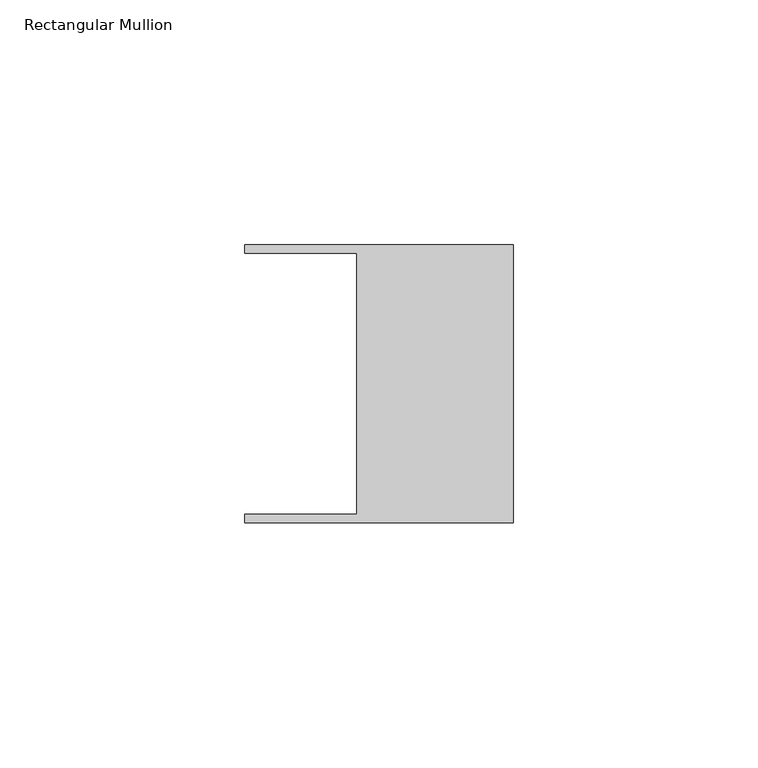
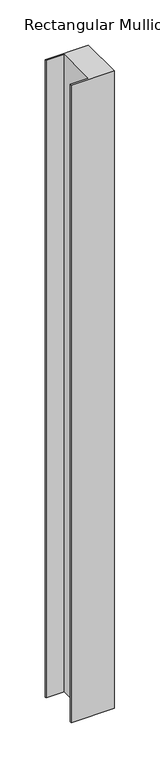
"""IFC4 building model written with IfcOpenShell, lengths in millimetres: member geometry, Rectangular Mullion."""

from ifc_helpers import new_model, si_unit, frame, origin, place, context, project, spatial, polyline, outline, extrude, source, transform, mapped, element, save


def rectangular_mullion_e68ba8ec(model_context):
    return source(origin(), model_context, "Body", "SweptSolid", [
        extrude(outline(polyline([(-32.004, 26.67), (-54.991, 26.67), (-54.991, 28.448), (0.0, 28.448), (0.0, -28.448), (-54.991, -28.448), (-54.991, -26.67), (-32.004, -26.67), (-32.004, 26.67)])), frame((0.0, 0.0, -858.836737), z_axis=(0.0, 0.0, 1.0), x_axis=(1.0, 0.0, 0.0)), (0.0, 0.0, 1.0), 858.836737),
    ])


if __name__ == "__main__":
    model = new_model("IFC4")
    model_context = context("Model", 3, world=origin())
    ifc_project = project(units=[si_unit("LENGTHUNIT", "METRE", prefix="MILLI")], contexts=[model_context])
    site = spatial("IfcSite", under=ifc_project)
    building = spatial("IfcBuilding", under=site)
    placement = place(None, origin())
    rectangular_mullion_shape = rectangular_mullion_e68ba8ec(model_context)
    element("IfcMember", 1, ObjectType="Rectangular Mullion", at=placement, inside=building, context=model_context, shape_type="MappedRepresentation", body=[
        mapped(rectangular_mullion_shape, transform((0.0, 0.0, 0.0), x_axis=(1.0, 0.0, 0.0), y_axis=(0.0, 1.0, 0.0), z_axis=(0.0, 0.0, 1.0))),
    ])
    save(model, "model.ifc")
